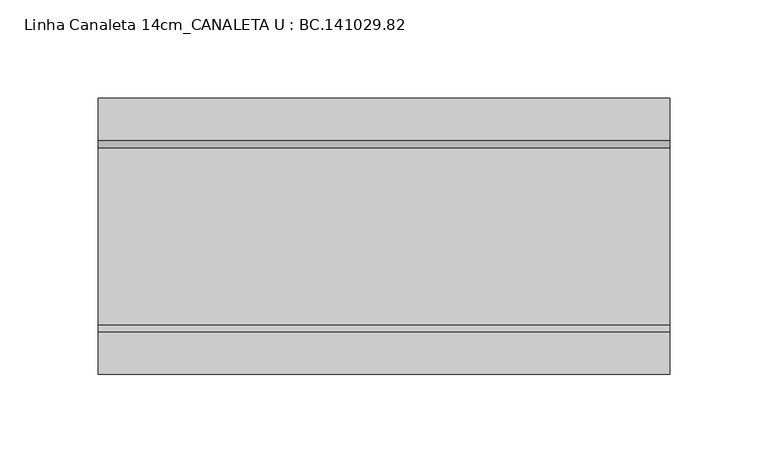
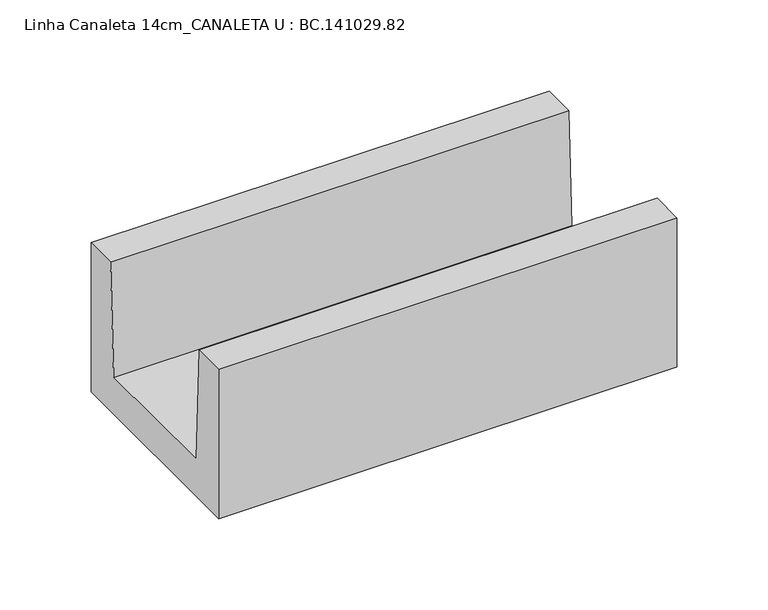
"""IFC4 building model written with IfcOpenShell, lengths in millimetres: proxy geometry, Linha Canaleta 14cm_CANALETA U : BC.141029.82."""

from ifc_helpers import new_model, si_unit, frame, origin, place, context, project, spatial, polyline, outline, extrude, source, transform, mapped, element, save


def linha_canaleta_14cm_canaleta_u_bc_141029_82_6fad039c(model_context):
    return source(origin(), model_context, "Body", "SweptSolid", [
        extrude(outline(polyline([(70.0050293, 99.9938965), (70.0050293, 0.0), (-70.0050293, 0.0), (-70.0050293, 99.9938965), (-48.4063477, 99.9938965), (-45.0019043, 25.003125), (45.0019043, 25.003125), (48.4063477, 99.9938965), (70.0050293, 99.9938965)])), frame((5.0, 0.0, 0.0), z_axis=(1.0, 0.0, 0.0), x_axis=(0.0, 1.0, 0.0)), (0.0, 0.0, 1.0), 290.0),
    ])


if __name__ == "__main__":
    model = new_model("IFC4")
    model_context = context("Model", 3, world=origin())
    ifc_project = project(units=[si_unit("LENGTHUNIT", "METRE", prefix="MILLI")], contexts=[model_context])
    site = spatial("IfcSite", under=ifc_project)
    building = spatial("IfcBuilding", under=site)
    placement = place(None, origin())
    linha_canaleta_14cm_canaleta_u_bc_141029_82_shape = linha_canaleta_14cm_canaleta_u_bc_141029_82_6fad039c(model_context)
    element("IfcBuildingElementProxy", 1, Name="Linha Canaleta 14cm_CANALETA U : BC.141029.82", ObjectType="Linha Canaleta 14cm_CANALETA U : BC.141029.82", at=placement, inside=building, context=model_context, shape_type="MappedRepresentation", body=[
        mapped(linha_canaleta_14cm_canaleta_u_bc_141029_82_shape, transform((0.0, 0.0, 0.0), x_axis=(1.0, 0.0, 0.0), y_axis=(0.0, 1.0, 0.0), z_axis=(0.0, 0.0, 1.0))),
    ])
    save(model, "model.ifc")
